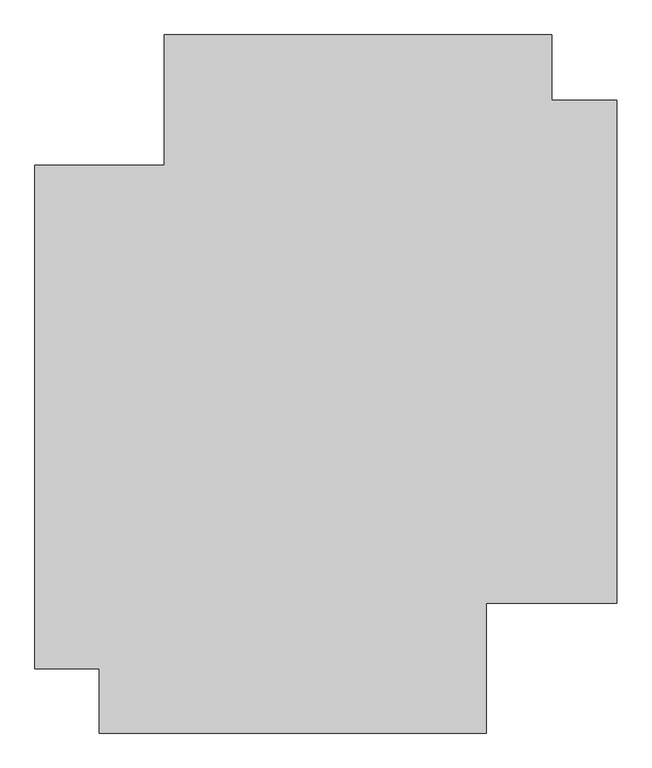
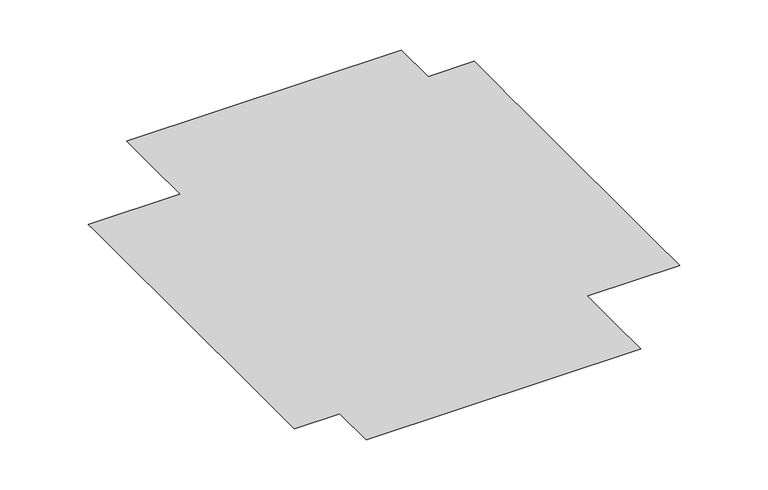
"""IFC4 building model written with IfcOpenShell, lengths in millimetres: furniture geometry."""

from ifc_helpers import new_model, si_unit, origin, place, context, project, spatial, triangles, source, transform, mapped, element, save


def furniture_2491ca02(model_context):
    return source(origin(), model_context, "Body", "Tessellation", [
        triangles([(-1285.4450844, -1092.3980742, 0.7619), (-1285.4452297, -1241.361002, 0.7619), (909.7467957, -1241.3612926, 0.7619), (909.7467957, -1092.3981468, 0.7619), (-1285.4450844, -1042.1052137, 0.7619), (-1649.0619884, -1042.1050684, 0.7619), (-1649.0619884, -1092.3979288, 0.7619), (1649.0525414, -1241.361438, 0.7619), (1649.0526867, -1092.3982922, 0.7619), (1280.9343132, 1608.7448273, 0.7619), (1280.9343132, 1978.5773403, 0.7619), (-914.5776054, 1978.5777763, 0.7619), (-914.5776781, 1608.7452633, 0.7619), (1280.9343132, 1239.4848083, 0.7619), (1648.8452866, 1239.4848083, 0.7619), (1648.8452866, 1608.7448273, 0.7619), (1280.9341679, 1153.1056332, 0.7619), (1648.9490593, 1153.1056332, 0.7619), (-914.5777508, 1239.485099, 0.7619), (-914.5777508, 1153.1059965, 0.7619), (-1285.4452297, -1612.6442986, 0.7619), (-1285.4452297, -1978.5766136, 0.7619), (909.7466503, -1978.5769043, 0.7619), (909.746723, -1612.6444439, 0.7619), (-1649.0621338, -1241.361002, 0.7619), (-1649.0621338, -1612.6441532, 0.7619), (-920.120363, 879.5068537, 0.7619), (909.7467957, -1042.1054317, 0.7619), (1280.9341679, 879.5068537, 0.7619), (-1649.0618431, 1153.1060692, 0.7619), (-1649.0616978, 879.5072897, 0.7619), (-1649.0616978, 1239.4852444, 0.7619), (1649.052832, 879.5068537, 0.7619), (1649.0526867, -1042.1055771, 0.7619)], [[1, 2, 3], [1, 3, 4], [1, 5, 6], [1, 6, 7], [4, 3, 8], [4, 8, 9], [10, 11, 12], [10, 12, 13], [10, 14, 15], [10, 15, 16], [14, 17, 18], [14, 18, 15], [19, 20, 17], [19, 17, 14], [21, 22, 23], [21, 23, 24], [14, 10, 13], [14, 13, 19], [21, 2, 25], [21, 25, 26], [27, 5, 28], [27, 28, 29], [27, 20, 30], [27, 30, 31], [5, 27, 31], [5, 31, 6], [5, 1, 4], [5, 4, 28], [2, 1, 7], [2, 7, 25], [2, 21, 24], [2, 24, 3], [20, 27, 29], [20, 29, 17], [20, 19, 32], [20, 32, 30], [17, 29, 33], [17, 33, 18], [29, 28, 34], [29, 34, 33], [28, 4, 9], [28, 9, 34]], closed=False),
    ])


if __name__ == "__main__":
    model = new_model("IFC4")
    model_context = context("Model", 3, world=origin())
    ifc_project = project(units=[si_unit("LENGTHUNIT", "METRE", prefix="MILLI")], contexts=[model_context])
    site = spatial("IfcSite", under=ifc_project)
    building = spatial("IfcBuilding", under=site)
    placement = place(None, origin())
    furniture_shape = furniture_2491ca02(model_context)
    element("IfcFurniture", 1, at=placement, inside=building, context=model_context, shape_type="MappedRepresentation", body=[
        mapped(furniture_shape, transform((0.0, 0.0, 0.0), x_axis=(1.0, 0.0, 0.0), y_axis=(0.0, 1.0, 0.0), z_axis=(0.0, 0.0, 1.0))),
    ])
    save(model, "model.ifc")
